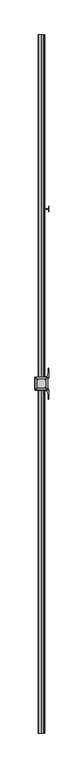
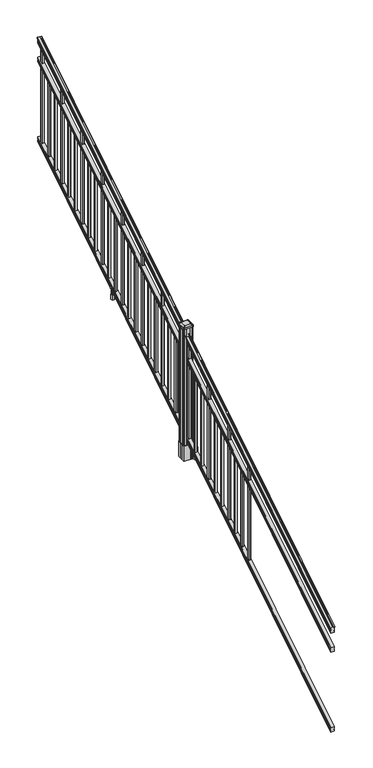
"""IFC4 building model written with IfcOpenShell, lengths in millimetres: railing geometry."""

from ifc_helpers import new_model, si_unit, point, frame, frame_2d, origin, place, context, project, spatial, polyline, circle_curve, ellipse_curve, trimmed, segment, composite_curve, outline, extrude, faceted_brep, source, transform, mapped, element, save
from ifc_brep_helpers import plane_surface, cylinder_surface, revolved_surface, extruded_surface, advanced_brep


def railing_99836343(model_context):
    return source(origin(), model_context, "Body", "SolidModel", [
        advanced_brep(
        [(10037.832944, -129368.4628453, 1285.6070492), (10040.4067728, -129368.4628453, 1285.6070492), (10040.4067728, -129368.4628453, 1273.0394336), (10039.3907728, -129368.4628453, 1271.841318), (10039.3907728, -129368.4628453, 1257.3), (10071.1407728, -129368.4628453, 1257.3), (10071.1407728, -129368.4628453, 1272.0274214), (10070.1247728, -129368.4628453, 1273.225537), (10070.1247728, -129368.4628453, 1285.6070492), (10072.6986015, -129368.4628453, 1285.6070492), (10072.6986015, -129368.4628453, 1287.8335658), (10073.8287878, -129368.4628453, 1289.6758543), (10073.8287878, -129368.4628453, 1298.1876358), (10073.1795314, -129368.4628453, 1301.0572588), (10075.6795314, -129368.4628453, 1306.1635509), (10077.0888739, -129368.4628453, 1308.1442021), (10077.4907729, -129368.4628453, 1309.4469579), (10077.4907728, -129368.4628453, 1311.0274846), (10075.9373255, -129368.4628453, 1312.8593836), (10055.2657728, -129368.4628453, 1312.8593836), (10034.59422, -129368.4628453, 1312.8593836), (10033.0407728, -129368.4628453, 1311.0274846), (10033.0407728, -129368.4628453, 1309.4469579), (10033.4426717, -129368.4628453, 1308.1442021), (10034.8520141, -129368.4628453, 1306.1635509), (10037.3520141, -129368.4628453, 1301.0572588), (10036.7027577, -129368.4628453, 1298.1876358), (10036.7027577, -129368.4628453, 1289.6758543), (10037.832944, -129368.4628453, 1287.8335658), (10037.832944, -124491.6628453, 4333.6070492), (10037.832944, -124491.6628453, 4335.8335658), (10036.7027577, -124491.6628453, 4337.6758543), (10036.7027577, -124491.6628453, 4346.1876358), (10037.3520141, -124491.6628453, 4349.0572588), (10034.8520141, -124491.6628453, 4354.1635509), (10033.4426717, -124491.6628453, 4356.1442021), (10033.0407727, -124491.6628453, 4357.4469579), (10033.0407728, -124491.6628453, 4359.0274846), (10034.59422, -124491.6628453, 4360.8593836), (10055.2657728, -124491.6628453, 4360.8593836), (10075.9373255, -124491.6628453, 4360.8593836), (10077.4907728, -124491.6628453, 4359.0274846), (10077.4907728, -124491.6628453, 4357.4469579), (10077.0888739, -124491.6628453, 4356.1442021), (10075.6795314, -124491.6628453, 4354.1635509), (10073.1795314, -124491.6628453, 4349.0572588), (10073.8287878, -124491.6628453, 4346.1876358), (10073.8287878, -124491.6628453, 4337.6758543), (10072.6986015, -124491.6628453, 4335.8335658), (10072.6986015, -124491.6628453, 4333.6070492), (10070.1247728, -124491.6628453, 4333.6070492), (10070.1247728, -124491.6628453, 4321.225537), (10071.1407728, -124491.6628453, 4320.0274214), (10071.1407728, -124491.6628453, 4305.3), (10039.3907728, -124491.6628453, 4305.3), (10039.3907728, -124491.6628453, 4319.841318), (10040.4067728, -124491.6628453, 4321.0394336), (10040.4067728, -124491.6628453, 4333.6070492)],
        [
            (0, 1, ellipse_curve(frame((10039.1198584, -129368.4628453, 1285.6070492), z_axis=(0.0, -1.0, 0.0), x_axis=(0.0, 0.0, -1.0)), 1.5175907, 1.2869144)),
            (1, 2),
            (2, 3),
            (3, 4),
            (4, 5),
            (5, 6),
            (6, 7),
            (7, 8),
            (8, 9, ellipse_curve(frame((10071.4116871, -129368.4628453, 1285.6070492), z_axis=(0.0, -1.0, 0.0), x_axis=(0.0, 0.0, -1.0)), 1.5175907, 1.2869144)),
            (9, 10),
            (10, 11, ellipse_curve(frame((10066.3838482, -129368.4628453, 1294.6239405), z_axis=(0.0, -1.0, 0.0), x_axis=(0.0, 0.0, -1.0)), 10.0777926, 8.545951)),
            (11, 12, ellipse_curve(frame((10066.8209112, -129368.4628453, 1293.9317451), z_axis=(0.0, -1.0, 0.0), x_axis=(0.0, 0.0, -1.0)), 9.2955186, 7.882584)),
            (12, 13, ellipse_curve(frame((10077.3342353, -129368.4628453, 1300.8275077), z_axis=(0.0, 1.0, 0.0), x_axis=(0.0, 0.0, 1.0)), 4.9048088, 4.1592695)),
            (13, 14, ellipse_curve(frame((10078.6215419, -129368.4628453, 1300.7563208), z_axis=(0.0, 1.0, 0.0), x_axis=(0.0, 0.0, 1.0)), 6.4245301, 5.4479907)),
            (14, 15, ellipse_curve(frame((10077.3883834, -129368.4628453, 1306.1602333), z_axis=(0.0, 1.0, 0.0), x_axis=(0.0, 0.0, 1.0)), 2.0151625, 1.7088543)),
            (15, 16, ellipse_curve(frame((10075.7714833, -129368.4628453, 1309.4469579), z_axis=(0.0, -1.0, 0.0), x_axis=(0.0, 0.0, -1.0)), 2.0274681, 1.7192895)),
            (16, 17),
            (17, 18, ellipse_curve(frame((10075.9373255, -129368.4628453, 1311.0274846), z_axis=(0.0, -1.0, 0.0), x_axis=(0.0, 0.0, -1.0)), 1.831899, 1.5534472)),
            (18, 19),
            (19, 20),
            (20, 21, ellipse_curve(frame((10034.59422, -129368.4628453, 1311.0274846), z_axis=(0.0, -1.0, 0.0), x_axis=(0.0, 0.0, -1.0)), 1.831899, 1.5534472)),
            (21, 22),
            (22, 23, ellipse_curve(frame((10034.7600622, -129368.4628453, 1309.4469579), z_axis=(0.0, -1.0, 0.0), x_axis=(0.0, 0.0, -1.0)), 2.0274681, 1.7192895)),
            (23, 24, ellipse_curve(frame((10033.1431621, -129368.4628453, 1306.1602333), z_axis=(0.0, 1.0, 0.0), x_axis=(0.0, 0.0, 1.0)), 2.0151625, 1.7088543)),
            (24, 25, ellipse_curve(frame((10031.9100037, -129368.4628453, 1300.7563208), z_axis=(0.0, 1.0, 0.0), x_axis=(0.0, 0.0, 1.0)), 6.4245301, 5.4479907)),
            (25, 26, ellipse_curve(frame((10033.1973102, -129368.4628453, 1300.8275077), z_axis=(0.0, 1.0, 0.0), x_axis=(0.0, 0.0, 1.0)), 4.9048088, 4.1592695)),
            (26, 27, ellipse_curve(frame((10043.7106343, -129368.4628453, 1293.9317451), z_axis=(0.0, -1.0, 0.0), x_axis=(0.0, 0.0, -1.0)), 9.2955186, 7.882584)),
            (27, 28, ellipse_curve(frame((10044.1476973, -129368.4628453, 1294.6239405), z_axis=(0.0, -1.0, 0.0), x_axis=(0.0, 0.0, -1.0)), 10.0777926, 8.545951)),
            (28, 0),
            (29, 30),
            (30, 31, ellipse_curve(frame((10044.1476973, -124491.6628453, 4342.6239405), z_axis=(0.0, 1.0, 0.0), x_axis=(0.0, 0.0, -1.0)), 10.0777926, 8.545951)),
            (31, 32, ellipse_curve(frame((10043.7106343, -124491.6628453, 4341.9317451), z_axis=(0.0, 1.0, 0.0), x_axis=(0.0, 0.0, -1.0)), 9.2955186, 7.882584)),
            (32, 33, ellipse_curve(frame((10033.1973102, -124491.6628453, 4348.8275077), z_axis=(0.0, -1.0, 0.0), x_axis=(0.0, 0.0, 1.0)), 4.9048088, 4.1592695)),
            (33, 34, ellipse_curve(frame((10031.9100037, -124491.6628453, 4348.7563208), z_axis=(0.0, -1.0, 0.0), x_axis=(0.0, 0.0, 1.0)), 6.4245301, 5.4479907)),
            (34, 35, ellipse_curve(frame((10033.1431621, -124491.6628453, 4354.1602333), z_axis=(0.0, -1.0, 0.0), x_axis=(0.0, 0.0, 1.0)), 2.0151625, 1.7088543)),
            (35, 36, ellipse_curve(frame((10034.7600622, -124491.6628453, 4357.4469579), z_axis=(0.0, 1.0, 0.0), x_axis=(0.0, 0.0, -1.0)), 2.0274681, 1.7192895)),
            (36, 37),
            (37, 38, ellipse_curve(frame((10034.59422, -124491.6628453, 4359.0274846), z_axis=(0.0, 1.0, 0.0), x_axis=(0.0, 0.0, -1.0)), 1.831899, 1.5534472)),
            (38, 39),
            (39, 40),
            (40, 41, ellipse_curve(frame((10075.9373255, -124491.6628453, 4359.0274846), z_axis=(0.0, 1.0, 0.0), x_axis=(0.0, 0.0, -1.0)), 1.831899, 1.5534472)),
            (41, 42),
            (42, 43, ellipse_curve(frame((10075.7714833, -124491.6628453, 4357.4469579), z_axis=(0.0, 1.0, 0.0), x_axis=(0.0, 0.0, -1.0)), 2.0274681, 1.7192895)),
            (43, 44, ellipse_curve(frame((10077.3883834, -124491.6628453, 4354.1602333), z_axis=(0.0, -1.0, 0.0), x_axis=(0.0, 0.0, 1.0)), 2.0151625, 1.7088543)),
            (44, 45, ellipse_curve(frame((10078.6215419, -124491.6628453, 4348.7563208), z_axis=(0.0, -1.0, 0.0), x_axis=(0.0, 0.0, 1.0)), 6.4245301, 5.4479907)),
            (45, 46, ellipse_curve(frame((10077.3342353, -124491.6628453, 4348.8275077), z_axis=(0.0, -1.0, 0.0), x_axis=(0.0, 0.0, 1.0)), 4.9048088, 4.1592695)),
            (46, 47, ellipse_curve(frame((10066.8209112, -124491.6628453, 4341.9317451), z_axis=(0.0, 1.0, 0.0), x_axis=(0.0, 0.0, -1.0)), 9.2955186, 7.882584)),
            (47, 48, ellipse_curve(frame((10066.3838482, -124491.6628453, 4342.6239405), z_axis=(0.0, 1.0, 0.0), x_axis=(0.0, 0.0, -1.0)), 10.0777926, 8.545951)),
            (48, 49),
            (49, 50, ellipse_curve(frame((10071.4116871, -124491.6628453, 4333.6070492), z_axis=(0.0, 1.0, 0.0), x_axis=(0.0, 0.0, -1.0)), 1.5175907, 1.2869144)),
            (50, 51),
            (51, 52),
            (52, 53),
            (53, 54),
            (54, 55),
            (55, 56),
            (56, 57),
            (57, 29, ellipse_curve(frame((10039.1198584, -124491.6628453, 4333.6070492), z_axis=(0.0, 1.0, 0.0), x_axis=(0.0, 0.0, -1.0)), 1.5175907, 1.2869144)),
            (28, 30),
            (29, 0),
            (27, 31),
            (26, 32),
            (25, 33),
            (24, 34),
            (23, 35),
            (22, 36),
            (21, 37),
            (20, 38),
            (19, 39),
            (18, 40),
            (17, 41),
            (16, 42),
            (15, 43),
            (14, 44),
            (13, 45),
            (12, 46),
            (11, 47),
            (10, 48),
            (9, 49),
            (8, 50),
            (7, 51),
            (6, 52),
            (5, 53),
            (4, 54),
            (3, 55),
            (2, 56),
            (1, 57),
        ],
        [
            plane_surface(frame((10055.2657728, -129368.4628453, 1257.3), z_axis=(0.0, -1.0, 0.0), x_axis=(0.0, 0.0, 1.0))),
            plane_surface(frame((10055.2657728, -124491.6628453, 4305.3), z_axis=(0.0, 1.0, 0.0), x_axis=(0.0, 0.0, 1.0))),
            plane_surface(frame((10037.832944, -129368.4628453, 1287.8335658), z_axis=(-1.0, 0.0, 0.0), x_axis=(0.0, 0.8479983040051252, 0.5299989400031204))),
            cylinder_surface(frame((10044.1476973, -129385.23765, 1284.1396876), z_axis=(0.0, -0.8479983040051253, -0.5299989400031204), x_axis=(1.0, 0.0, 0.0)), 8.545951),
            cylinder_surface(frame((10043.7106343, -129384.9265509, 1283.641929), z_axis=(0.0, -0.8479983040051253, -0.5299989400031204), x_axis=(1.0, 0.0, 0.0)), 7.882584),
            revolved_surface(polyline([(10037.3565797, -124489.45843685034, 4350.205262980551), (10037.3565797, -129370.66725374945, 1299.4497524190954)]), (10033.1973102, -129388.0257701, 1288.6006797), (0.0, 0.8479983040051253, 0.5299989400031204)),
            revolved_surface(polyline([(10037.357994400001, -124488.77541603574, 4350.5609640771845), (10037.357994400001, -129371.35027455281, 1298.9516775044929)]), (10031.9100037, -129387.993776, 1288.5494891), (0.0, 0.8479983040051253, 0.5299989400031204)),
            revolved_surface(polyline([(10034.8520164, -124490.75715429979, 4354.726290199658), (10034.8520164, -129369.36853632248, 1305.5941764359545)]), (10033.1431621, -129390.4225007, 1292.4354487), (0.0, 0.8479983040051253, 0.5299989400031204)),
            cylinder_surface(frame((10034.7600622, -129391.8996803, 1294.798936), z_axis=(0.0, -0.8479983040051253, -0.5299989400031204), x_axis=(1.0, 0.0, 0.0)), 1.7192895),
            plane_surface(frame((10033.0407728, -129368.4628453, 1311.0274846), z_axis=(-1.0000000000000002, 0.0, 0.0), x_axis=(0.0, 0.8479983040051253, 0.5299989400031204))),
            cylinder_surface(frame((10034.59422, -129392.6100294, 1295.9354945), z_axis=(0.0, -0.8479983040051253, -0.5299989400031204), x_axis=(1.0, 0.0, 0.0)), 1.5534472),
            plane_surface(frame((10055.2657728, -129368.4628453, 1312.8593836), z_axis=(0.0, -0.5299989400031204, 0.8479983040051252), x_axis=(0.0, 0.8479983040051252, 0.5299989400031204))),
            plane_surface(frame((10075.9373255, -129368.4628453, 1312.8593836), z_axis=(0.0, -0.5299989400031204, 0.8479983040051252), x_axis=(0.0, 0.8479983040051252, 0.5299989400031204))),
            cylinder_surface(frame((10075.9373255, -129392.6100294, 1295.9354945), z_axis=(0.0, -0.8479983040051253, -0.5299989400031204), x_axis=(-1.0, 0.0, 0.0)), 1.5534472),
            plane_surface(frame((10077.4907728, -129368.4628453, 1309.4469579), z_axis=(1.0, 0.0, 0.0), x_axis=(0.0, 0.8479983040051252, 0.5299989400031204))),
            cylinder_surface(frame((10075.7714833, -129391.8996803, 1294.798936), z_axis=(0.0, -0.8479983040051253, -0.5299989400031204), x_axis=(-1.0, 0.0, 0.0)), 1.7192895),
            revolved_surface(polyline([(10075.6795291, -124490.75715429979, 4354.726290199658), (10075.6795291, -129369.36853632248, 1305.5941764359545)]), (10077.3883834, -129390.4225007, 1292.4354487), (0.0, 0.8479983040051253, 0.5299989400031204)),
            revolved_surface(polyline([(10073.1735512, -124488.77541603574, 4350.5609640771845), (10073.1735512, -129371.35027455281, 1298.9516775044929)]), (10078.6215419, -129387.993776, 1288.5494891), (0.0, 0.8479983040051253, 0.5299989400031204)),
            revolved_surface(polyline([(10073.1749658, -124489.45843685034, 4350.205262980551), (10073.1749658, -129370.66725374945, 1299.4497524190954)]), (10077.3342353, -129388.0257701, 1288.6006797), (0.0, 0.8479983040051253, 0.5299989400031204)),
            cylinder_surface(frame((10066.8209112, -129384.9265509, 1283.641929), z_axis=(0.0, -0.8479983040051253, -0.5299989400031204), x_axis=(-1.0, 0.0, 0.0)), 7.882584),
            cylinder_surface(frame((10066.3838482, -129385.23765, 1284.1396876), z_axis=(0.0, -0.8479983040051253, -0.5299989400031204), x_axis=(-1.0, 0.0, 0.0)), 8.545951),
            plane_surface(frame((10072.6986015, -129368.4628453, 1285.6070492), z_axis=(1.0, 0.0, 0.0), x_axis=(0.0, 0.8479983040051252, 0.5299989400031204))),
            cylinder_surface(frame((10071.4116871, -129381.1851146, 1277.6556309), z_axis=(0.0, -0.8479983040051253, -0.5299989400031204), x_axis=(-1.0, 0.0, 0.0)), 1.2869144),
            plane_surface(frame((10070.1247728, -129368.4628453, 1273.225537), z_axis=(1.0, 0.0, 0.0), x_axis=(0.0, 0.8479983040051252, 0.5299989400031204))),
            plane_surface(frame((10071.1407728, -129368.4628453, 1272.0274214), z_axis=(0.7071067811865425, -0.3747658444978923, 0.5996253511967194), x_axis=(0.0, 0.8479983040051252, 0.5299989400031204))),
            plane_surface(frame((10071.1407728, -129368.4628453, 1257.3), z_axis=(1.0, 0.0, 0.0), x_axis=(0.0, 0.8479983040051252, 0.5299989400031204))),
            plane_surface(frame((10039.3907728, -129368.4628453, 1257.3), z_axis=(0.0, 0.5299989400031204, -0.8479983040051252), x_axis=(0.0, 0.8479983040051252, 0.5299989400031204))),
            plane_surface(frame((10039.3907728, -129368.4628453, 1271.841318), z_axis=(-1.0, 0.0, 0.0), x_axis=(0.0, 0.8479983040051253, 0.5299989400031203))),
            plane_surface(frame((10040.4067728, -129368.4628453, 1273.0394336), z_axis=(-0.7071067811865404, -0.3747658444978917, 0.5996253511967224), x_axis=(0.0, 0.8479983040051253, 0.5299989400031204))),
            plane_surface(frame((10040.4067728, -129368.4628453, 1285.6070492), z_axis=(-1.0, 0.0, 0.0), x_axis=(0.0, 0.8479983040051252, 0.5299989400031204))),
            cylinder_surface(frame((10039.1198584, -129381.1851146, 1277.6556309), z_axis=(0.0, -0.8479983040051253, -0.5299989400031204), x_axis=(1.0, 0.0, 0.0)), 1.2869144),
        ],
        [
            (0, [[1, 2, 3, 4, 5, 6, 7, 8, 9, 10, 11, 12, 13, 14, 15, 16, 17, 18, 19, 20, 21, 22, 23, 24, 25, 26, 27, 28, 29]]),
            (1, [[30, 31, 32, 33, 34, 35, 36, 37, 38, 39, 40, 41, 42, 43, 44, 45, 46, 47, 48, 49, 50, 51, 52, 53, 54, 55, 56, 57, 58]]),
            (2, [[-29, 59, -30, 60]]),
            (3, [[-28, 61, -31, -59]]),
            (4, [[-27, 62, -32, -61]]),
            (5, [[-26, 63, -33, -62]]),
            (6, [[-25, 64, -34, -63]]),
            (7, [[-24, 65, -35, -64]]),
            (8, [[-23, 66, -36, -65]]),
            (9, [[-22, 67, -37, -66]]),
            (10, [[-21, 68, -38, -67]]),
            (11, [[-20, 69, -39, -68]]),
            (12, [[-19, 70, -40, -69]]),
            (13, [[-18, 71, -41, -70]]),
            (14, [[-17, 72, -42, -71]]),
            (15, [[-16, 73, -43, -72]]),
            (16, [[-15, 74, -44, -73]]),
            (17, [[-14, 75, -45, -74]]),
            (18, [[-13, 76, -46, -75]]),
            (19, [[-12, 77, -47, -76]]),
            (20, [[-11, 78, -48, -77]]),
            (21, [[-10, 79, -49, -78]]),
            (22, [[-9, 80, -50, -79]]),
            (23, [[-8, 81, -51, -80]]),
            (24, [[-7, 82, -52, -81]]),
            (25, [[-6, 83, -53, -82]]),
            (26, [[-5, 84, -54, -83]]),
            (27, [[-4, 85, -55, -84]]),
            (28, [[-3, 86, -56, -85]]),
            (29, [[-2, 87, -57, -86]]),
            (30, [[-1, -60, -58, -87]]),
        ],
    ),
        faceted_brep([(10039.3532859, -129368.4628453, 1081.6045079), (10039.3532859, -129368.4628453, 1066.8), (10071.1032859, -129368.4628453, 1066.8), (10071.1032859, -129368.4628453, 1081.5848772), (10070.0872859, -129368.4628453, 1083.1748303), (10070.0872859, -129368.4628453, 1095.3348741), (10071.1032859, -129368.4628453, 1096.9248272), (10071.1032859, -129368.4628453, 1111.7244744), (10039.3532859, -129368.4628453, 1111.7244744), (10039.3532859, -129368.4628453, 1096.9444579), (10040.3692859, -129368.4628453, 1095.3545048), (10040.3692859, -129368.4628453, 1083.138026), (10039.3532859, -124491.6628453, 4129.6045079), (10040.3692859, -124491.6628453, 4131.138026), (10040.3692859, -124491.6628453, 4143.3545048), (10039.3532859, -124491.6628453, 4144.9444579), (10039.3532859, -124491.6628453, 4159.7244744), (10071.1032859, -124491.6628453, 4159.7244744), (10071.1032859, -124491.6628453, 4144.9248272), (10070.0872859, -124491.6628453, 4143.3348741), (10070.0872859, -124491.6628453, 4131.1748303), (10071.1032859, -124491.6628453, 4129.5848772), (10071.1032859, -124491.6628453, 4114.8), (10039.3532859, -124491.6628453, 4114.8)], [[[0, 1, 2, 3, 4, 5, 6, 7, 8, 9, 10, 11]], [[12, 13, 14, 15, 16, 17, 18, 19, 20, 21, 22, 23]], [[0, 11, 13, 12]], [[11, 10, 14, 13]], [[10, 9, 15, 14]], [[9, 8, 16, 15]], [[8, 7, 17, 16]], [[7, 6, 18, 17]], [[6, 5, 19, 18]], [[5, 4, 20, 19]], [[4, 3, 21, 20]], [[3, 2, 22, 21]], [[2, 1, 23, 22]], [[1, 0, 12, 23]]]),
        faceted_brep([(10039.3532859, -129368.4628453, 268.8045079), (10039.3532859, -129368.4628453, 254.0), (10071.1032859, -129368.4628453, 254.0), (10071.1032859, -129368.4628453, 268.7848772), (10070.0872859, -129368.4628453, 270.3748303), (10070.0872859, -129368.4628453, 282.5348741), (10071.1032859, -129368.4628453, 284.1248272), (10071.1032859, -129368.4628453, 298.9244744), (10039.3532859, -129368.4628453, 298.9244744), (10039.3532859, -129368.4628453, 284.1444579), (10040.3692859, -129368.4628453, 282.5545048), (10040.3692859, -129368.4628453, 270.338026), (10039.3532859, -124491.6628453, 3316.8045079), (10040.3692859, -124491.6628453, 3318.338026), (10040.3692859, -124491.6628453, 3330.5545048), (10039.3532859, -124491.6628453, 3332.1444579), (10039.3532859, -124491.6628453, 3346.9244744), (10071.1032859, -124491.6628453, 3346.9244744), (10071.1032859, -124491.6628453, 3332.1248272), (10070.0872859, -124491.6628453, 3330.5348741), (10070.0872859, -124491.6628453, 3318.3748303), (10071.1032859, -124491.6628453, 3316.7848772), (10071.1032859, -124491.6628453, 3302.0), (10039.3532859, -124491.6628453, 3302.0)], [[[0, 1, 2, 3, 4, 5, 6, 7, 8, 9, 10, 11]], [[12, 13, 14, 15, 16, 17, 18, 19, 20, 21, 22, 23]], [[1, 0, 12, 23]], [[7, 6, 18, 17]], [[9, 8, 16, 15]], [[11, 10, 14, 13]], [[2, 1, 23, 22]], [[3, 2, 22, 21]], [[4, 3, 21, 20]], [[5, 4, 20, 19]], [[6, 5, 19, 18]], [[8, 7, 17, 16]], [[10, 9, 15, 14]], [[0, 11, 13, 12]]]),
        extrude(outline(polyline([(10045.7407728, -124548.4318453), (10045.7407728, -124529.3818453), (10064.7907728, -124529.3818453), (10064.7907728, -124548.4318453), (10045.7407728, -124548.4318453)]), holes=[polyline([(10046.1376478, -124548.0349703), (10064.3938978, -124548.0349703), (10064.3938978, -124529.7787203), (10046.1376478, -124529.7787203), (10046.1376478, -124548.0349703)])]), frame((0.0, 0.0, 3310.5683781), z_axis=(0.0, 0.0, 1.0), x_axis=(1.0, 0.0, 0.0)), (0.0, 0.0, 1.0), 965.2041219),
        extrude(outline(polyline([(10045.7407728, -124659.6838453), (10045.7407728, -124640.6338453), (10064.7907728, -124640.6338453), (10064.7907728, -124659.6838453), (10045.7407728, -124659.6838453)]), holes=[polyline([(10046.1376478, -124659.2869703), (10064.3938978, -124659.2869703), (10064.3938978, -124641.0307203), (10046.1376478, -124641.0307203), (10046.1376478, -124659.2869703)])]), frame((0.0, 0.0, 3241.0358781), z_axis=(0.0, 0.0, 1.0), x_axis=(1.0, 0.0, 0.0)), (0.0, 0.0, 1.0), 774.7041219),
        extrude(outline(polyline([(10045.7407728, -124770.9358453), (10045.7407728, -124751.8858453), (10064.7907728, -124751.8858453), (10064.7907728, -124770.9358453), (10045.7407728, -124770.9358453)]), holes=[polyline([(10046.1376478, -124770.5389703), (10064.3938978, -124770.5389703), (10064.3938978, -124752.2827203), (10046.1376478, -124752.2827203), (10046.1376478, -124770.5389703)])]), frame((0.0, 0.0, 3171.5033781), z_axis=(0.0, 0.0, 1.0), x_axis=(1.0, 0.0, 0.0)), (0.0, 0.0, 1.0), 774.7041219),
        extrude(outline(polyline([(10045.7407728, -124882.1878453), (10045.7407728, -124863.1378453), (10064.7907728, -124863.1378453), (10064.7907728, -124882.1878453), (10045.7407728, -124882.1878453)]), holes=[polyline([(10046.1376478, -124881.7909703), (10064.3938978, -124881.7909703), (10064.3938978, -124863.5347203), (10046.1376478, -124863.5347203), (10046.1376478, -124881.7909703)])]), frame((0.0, 0.0, 3101.9708781), z_axis=(0.0, 0.0, 1.0), x_axis=(1.0, 0.0, 0.0)), (0.0, 0.0, 1.0), 965.2041219),
        extrude(outline(polyline([(10045.7407728, -124993.4398453), (10045.7407728, -124974.3898453), (10064.7907728, -124974.3898453), (10064.7907728, -124993.4398453), (10045.7407728, -124993.4398453)]), holes=[polyline([(10046.1376478, -124993.0429703), (10064.3938978, -124993.0429703), (10064.3938978, -124974.7867203), (10046.1376478, -124974.7867203), (10046.1376478, -124993.0429703)])]), frame((0.0, 0.0, 3032.4383781), z_axis=(0.0, 0.0, 1.0), x_axis=(1.0, 0.0, 0.0)), (0.0, 0.0, 1.0), 774.7041219),
        extrude(outline(polyline([(10045.7407728, -125104.6918453), (10045.7407728, -125085.6418453), (10064.7907728, -125085.6418453), (10064.7907728, -125104.6918453), (10045.7407728, -125104.6918453)]), holes=[polyline([(10046.1376478, -125104.2949703), (10064.3938978, -125104.2949703), (10064.3938978, -125086.0387203), (10046.1376478, -125086.0387203), (10046.1376478, -125104.2949703)])]), frame((0.0, 0.0, 2962.9058781), z_axis=(0.0, 0.0, 1.0), x_axis=(1.0, 0.0, 0.0)), (0.0, 0.0, 1.0), 774.7041219),
        extrude(outline(polyline([(10045.7407728, -125215.9438453), (10045.7407728, -125196.8938453), (10064.7907728, -125196.8938453), (10064.7907728, -125215.9438453), (10045.7407728, -125215.9438453)]), holes=[polyline([(10046.1376478, -125215.5469703), (10064.3938978, -125215.5469703), (10064.3938978, -125197.2907203), (10046.1376478, -125197.2907203), (10046.1376478, -125215.5469703)])]), frame((0.0, 0.0, 2893.3733781), z_axis=(0.0, 0.0, 1.0), x_axis=(1.0, 0.0, 0.0)), (0.0, 0.0, 1.0), 965.2041219),
        extrude(outline(polyline([(10045.7407728, -125327.1958453), (10045.7407728, -125308.1458453), (10064.7907728, -125308.1458453), (10064.7907728, -125327.1958453), (10045.7407728, -125327.1958453)]), holes=[polyline([(10046.1376478, -125326.7989703), (10064.3938978, -125326.7989703), (10064.3938978, -125308.5427203), (10046.1376478, -125308.5427203), (10046.1376478, -125326.7989703)])]), frame((0.0, 0.0, 2823.8408781), z_axis=(0.0, 0.0, 1.0), x_axis=(1.0, 0.0, 0.0)), (0.0, 0.0, 1.0), 774.7041219),
        extrude(outline(polyline([(10045.7407728, -125438.4478453), (10045.7407728, -125419.3978453), (10064.7907728, -125419.3978453), (10064.7907728, -125438.4478453), (10045.7407728, -125438.4478453)]), holes=[polyline([(10046.1376478, -125438.0509703), (10064.3938978, -125438.0509703), (10064.3938978, -125419.7947203), (10046.1376478, -125419.7947203), (10046.1376478, -125438.0509703)])]), frame((0.0, 0.0, 2754.3083781), z_axis=(0.0, 0.0, 1.0), x_axis=(1.0, 0.0, 0.0)), (0.0, 0.0, 1.0), 774.7041219),
        extrude(outline(polyline([(10045.7407728, -125549.6998453), (10045.7407728, -125530.6498453), (10064.7907728, -125530.6498453), (10064.7907728, -125549.6998453), (10045.7407728, -125549.6998453)]), holes=[polyline([(10046.1376478, -125549.3029703), (10064.3938978, -125549.3029703), (10064.3938978, -125531.0467203), (10046.1376478, -125531.0467203), (10046.1376478, -125549.3029703)])]), frame((0.0, 0.0, 2684.7758781), z_axis=(0.0, 0.0, 1.0), x_axis=(1.0, 0.0, 0.0)), (0.0, 0.0, 1.0), 965.2041219),
        extrude(outline(polyline([(10045.7407728, -125660.9518453), (10045.7407728, -125641.9018453), (10064.7907728, -125641.9018453), (10064.7907728, -125660.9518453), (10045.7407728, -125660.9518453)]), holes=[polyline([(10046.1376478, -125660.5549703), (10064.3938978, -125660.5549703), (10064.3938978, -125642.2987203), (10046.1376478, -125642.2987203), (10046.1376478, -125660.5549703)])]), frame((0.0, 0.0, 2615.2433781), z_axis=(0.0, 0.0, 1.0), x_axis=(1.0, 0.0, 0.0)), (0.0, 0.0, 1.0), 774.7041219),
        extrude(outline(polyline([(10065.9337726, -125708.3228453), (10065.9337726, -125705.7828453), (10105.3037728, -125705.7828453), (10105.3037728, -125708.3228453), (10065.9337726, -125708.3228453)])), frame((0.0, 0.0, 2428.08125), z_axis=(0.0, 0.0, 1.0), x_axis=(1.0, 0.0, 0.0)), (0.0, 0.0, 1.0), 50.8),
        extrude(outline(polyline([(10105.3037728, -125726.1028453), (10105.3037728, -125688.0028453), (10107.8437728, -125688.0028453), (10107.8437728, -125726.1028453), (10105.3037728, -125726.1028453)])), frame((0.0, 0.0, 2428.08125), z_axis=(0.0, 0.0, 1.0), x_axis=(1.0, 0.0, 0.0)), (0.0, 0.0, 1.0), 50.8),
        extrude(outline(polyline([(10044.597772, -125716.9588453), (10044.597772, -125697.1468453), (10065.9337726, -125697.1468453), (10065.9337726, -125716.9588453), (10044.597772, -125716.9588453)]), holes=[polyline([(10047.8997721, -125714.4188453), (10062.6317725, -125714.4188453), (10062.6317725, -125699.6868453), (10047.8997721, -125699.6868453), (10047.8997721, -125714.4188453)])]), frame((0.0, 0.0, 2428.08125), z_axis=(0.0, 0.0, 1.0), x_axis=(1.0, 0.0, 0.0)), (0.0, 0.0, 1.0), 50.8),
        extrude(outline(polyline([(2567.6016479, 10073.4267716), (2567.6016479, 10071.394772), (2566.5856453, 10070.3787722), (2556.1498581, 10070.3787722), (2555.1338573, 10071.394772), (2543.143251, 10071.394772), (2542.3812519, 10070.6327729), (2542.3812519, 10039.8987717), (2543.143251, 10039.1367726), (2555.1338573, 10039.1367726), (2556.1498581, 10040.1527724), (2566.5856453, 10040.1527724), (2567.6016479, 10039.1367726), (2567.6016479, 10037.104773), (2566.8396469, 10036.342772), (2540.3492523, 10036.342772), (2539.5872513, 10037.104773), (2539.5872513, 10047.137772), (2538.8252512, 10047.8997721), (2475.3252512, 10047.8997721), (2475.3252512, 10062.6317725), (2538.8252512, 10062.6317725), (2539.5872513, 10063.3937726), (2539.5872513, 10073.4267716), (2540.3492523, 10074.1887726), (2566.8396469, 10074.1887726), (2567.6016479, 10073.4267716)]), holes=[polyline([(2539.5872513, 10051.8367724), (2539.5872513, 10058.6947722), (2538.8252512, 10059.4567723), (2482.8182503, 10059.4567723), (2482.0562531, 10058.6947751), (2482.0562531, 10051.8367724), (2482.8182531, 10051.0747723), (2538.8252512, 10051.0747723), (2539.5872513, 10051.8367724)])]), frame((0.0, -125714.4188453, 0.0), z_axis=(0.0, 1.0, 0.0), x_axis=(0.0, 0.0, 1.0)), (0.0, 0.0, 1.0), 14.732),
        extrude(outline(polyline([(10045.7407728, -125772.2038453), (10045.7407728, -125753.1538453), (10064.7907728, -125753.1538453), (10064.7907728, -125772.2038453), (10045.7407728, -125772.2038453)]), holes=[polyline([(10046.1376478, -125771.8069703), (10064.3938978, -125771.8069703), (10064.3938978, -125753.5507203), (10046.1376478, -125753.5507203), (10046.1376478, -125771.8069703)])]), frame((0.0, 0.0, 2545.7108781), z_axis=(0.0, 0.0, 1.0), x_axis=(1.0, 0.0, 0.0)), (0.0, 0.0, 1.0), 774.7041219),
        extrude(outline(polyline([(10045.7407728, -125883.4558453), (10045.7407728, -125864.4058453), (10064.7907728, -125864.4058453), (10064.7907728, -125883.4558453), (10045.7407728, -125883.4558453)]), holes=[polyline([(10046.1376478, -125883.0589703), (10064.3938978, -125883.0589703), (10064.3938978, -125864.8027203), (10046.1376478, -125864.8027203), (10046.1376478, -125883.0589703)])]), frame((0.0, 0.0, 2476.1783781), z_axis=(0.0, 0.0, 1.0), x_axis=(1.0, 0.0, 0.0)), (0.0, 0.0, 1.0), 965.2041219),
        extrude(outline(polyline([(10045.7407728, -125994.7078453), (10045.7407728, -125975.6578453), (10064.7907728, -125975.6578453), (10064.7907728, -125994.7078453), (10045.7407728, -125994.7078453)]), holes=[polyline([(10046.1376478, -125994.3109703), (10064.3938978, -125994.3109703), (10064.3938978, -125976.0547203), (10046.1376478, -125976.0547203), (10046.1376478, -125994.3109703)])]), frame((0.0, 0.0, 2406.6458781), z_axis=(0.0, 0.0, 1.0), x_axis=(1.0, 0.0, 0.0)), (0.0, 0.0, 1.0), 774.7041219),
        extrude(outline(polyline([(10045.7407728, -126105.9598453), (10045.7407728, -126086.9098453), (10064.7907728, -126086.9098453), (10064.7907728, -126105.9598453), (10045.7407728, -126105.9598453)]), holes=[polyline([(10046.1376478, -126105.5629703), (10064.3938978, -126105.5629703), (10064.3938978, -126087.3067203), (10046.1376478, -126087.3067203), (10046.1376478, -126105.5629703)])]), frame((0.0, 0.0, 2337.1133781), z_axis=(0.0, 0.0, 1.0), x_axis=(1.0, 0.0, 0.0)), (0.0, 0.0, 1.0), 774.7041219),
        extrude(outline(polyline([(10045.7407728, -126217.2118453), (10045.7407728, -126198.1618453), (10064.7907728, -126198.1618453), (10064.7907728, -126217.2118453), (10045.7407728, -126217.2118453)]), holes=[polyline([(10046.1376478, -126216.8149703), (10064.3938978, -126216.8149703), (10064.3938978, -126198.5587203), (10046.1376478, -126198.5587203), (10046.1376478, -126216.8149703)])]), frame((0.0, 0.0, 2267.5808781), z_axis=(0.0, 0.0, 1.0), x_axis=(1.0, 0.0, 0.0)), (0.0, 0.0, 1.0), 965.2041219),
        extrude(outline(polyline([(10045.7407728, -126328.4638453), (10045.7407728, -126309.4138453), (10064.7907728, -126309.4138453), (10064.7907728, -126328.4638453), (10045.7407728, -126328.4638453)]), holes=[polyline([(10046.1376478, -126328.0669703), (10064.3938978, -126328.0669703), (10064.3938978, -126309.8107203), (10046.1376478, -126309.8107203), (10046.1376478, -126328.0669703)])]), frame((0.0, 0.0, 2198.0483781), z_axis=(0.0, 0.0, 1.0), x_axis=(1.0, 0.0, 0.0)), (0.0, 0.0, 1.0), 774.7041219),
        extrude(outline(polyline([(10045.7407728, -126439.7158453), (10045.7407728, -126420.6658453), (10064.7907728, -126420.6658453), (10064.7907728, -126439.7158453), (10045.7407728, -126439.7158453)]), holes=[polyline([(10046.1376478, -126439.3189703), (10064.3938978, -126439.3189703), (10064.3938978, -126421.0627203), (10046.1376478, -126421.0627203), (10046.1376478, -126439.3189703)])]), frame((0.0, 0.0, 2128.5158781), z_axis=(0.0, 0.0, 1.0), x_axis=(1.0, 0.0, 0.0)), (0.0, 0.0, 1.0), 774.7041219),
        extrude(outline(polyline([(10045.7407728, -126550.9678453), (10045.7407728, -126531.9178453), (10064.7907728, -126531.9178453), (10064.7907728, -126550.9678453), (10045.7407728, -126550.9678453)]), holes=[polyline([(10046.1376478, -126550.5709703), (10064.3938978, -126550.5709703), (10064.3938978, -126532.3147203), (10046.1376478, -126532.3147203), (10046.1376478, -126550.5709703)])]), frame((0.0, 0.0, 2058.9833781), z_axis=(0.0, 0.0, 1.0), x_axis=(1.0, 0.0, 0.0)), (0.0, 0.0, 1.0), 965.2041219),
        extrude(outline(polyline([(10045.7407728, -126662.2198453), (10045.7407728, -126643.1698453), (10064.7907728, -126643.1698453), (10064.7907728, -126662.2198453), (10045.7407728, -126662.2198453)]), holes=[polyline([(10046.1376478, -126661.8229703), (10064.3938978, -126661.8229703), (10064.3938978, -126643.5667203), (10046.1376478, -126643.5667203), (10046.1376478, -126661.8229703)])]), frame((0.0, 0.0, 1989.4508781), z_axis=(0.0, 0.0, 1.0), x_axis=(1.0, 0.0, 0.0)), (0.0, 0.0, 1.0), 774.7041219),
        extrude(outline(polyline([(10045.7407728, -126773.4718453), (10045.7407728, -126754.4218453), (10064.7907728, -126754.4218453), (10064.7907728, -126773.4718453), (10045.7407728, -126773.4718453)]), holes=[polyline([(10046.1376478, -126773.0749703), (10064.3938978, -126773.0749703), (10064.3938978, -126754.8187203), (10046.1376478, -126754.8187203), (10046.1376478, -126773.0749703)])]), frame((0.0, 0.0, 1919.9183781), z_axis=(0.0, 0.0, 1.0), x_axis=(1.0, 0.0, 0.0)), (0.0, 0.0, 1.0), 774.7041219),
        extrude(outline(polyline([(10045.7407728, -126884.7238453), (10045.7407728, -126865.6738453), (10064.7907728, -126865.6738453), (10064.7907728, -126884.7238453), (10045.7407728, -126884.7238453)]), holes=[polyline([(10046.1376478, -126884.3269703), (10064.3938978, -126884.3269703), (10064.3938978, -126866.0707203), (10046.1376478, -126866.0707203), (10046.1376478, -126884.3269703)])]), frame((0.0, 0.0, 1850.3858781), z_axis=(0.0, 0.0, 1.0), x_axis=(1.0, 0.0, 0.0)), (0.0, 0.0, 1.0), 965.2041219),
        extrude(outline(composite_curve([segment(polyline([(10012.5302728, -126944.9089401), (10012.5302728, -126910.1367504), (10010.9427728, -126909.3747504), (10010.9427728, -126886.5728224), (10014.3157498, -126883.1998453), (10075.7754206, -126883.1998453), (10075.7754206, -126882.2790953), (10081.0929645, -126882.2790953), (10081.0929645, -126880.8248406), (10086.1774942, -126880.8248406), (10086.1774942, -126879.5408168), (10087.8447665, -126879.5408168)]), True, "CONTINUOUS"), segment(trimmed(circle_curve(frame_2d((10087.8447665, -126872.4813569)), 7.0594599), [point((10087.8447665, -126879.5408168))], [point((10094.6120293, -126874.4913636))], True, "CARTESIAN"), True, "CONTINUOUS"), segment(polyline([(10094.6120293, -126874.4913636), (10102.4862236, -126847.9806345)]), True, "CONTINUOUS"), segment(trimmed(circle_curve(frame_2d((10047.7017103, -126831.7085848)), 57.15), [point((10102.4862236, -126847.9806345))], [point((10104.8517103, -126831.7085848))], True, "CARTESIAN"), True, "CONTINUOUS"), segment(polyline([(10104.8517103, -126831.7085848), (10104.8517103, -126819.6998453), (10107.8517103, -126819.6998453), (10107.8517103, -126884.7873453), (10099.5887728, -126896.1256366), (10099.5887728, -126909.3747504), (10098.0012728, -126910.1367504), (10098.0012728, -126944.9089401), (10099.5887728, -126945.6709401), (10099.5887728, -126958.920054), (10107.8517103, -126970.2583453), (10107.8517103, -127035.3458453), (10104.8517103, -127035.3458453), (10104.8517103, -127023.3371057)]), True, "CONTINUOUS"), segment(trimmed(circle_curve(frame_2d((10047.7017103, -127023.3371057)), 57.15), [point((10104.8517103, -127023.3371057))], [point((10102.4862236, -127007.0650561))], True, "CARTESIAN"), True, "CONTINUOUS"), segment(polyline([(10102.4862236, -127007.0650561), (10094.6120293, -126980.554327)]), True, "CONTINUOUS"), segment(trimmed(circle_curve(frame_2d((10087.8447665, -126982.5643337)), 7.0594599), [point((10094.6120293, -126980.554327))], [point((10087.8447665, -126975.5048738))], True, "CARTESIAN"), True, "CONTINUOUS"), segment(polyline([(10087.8447665, -126975.5048738), (10086.1774942, -126975.5048738), (10086.1774942, -126974.22085), (10081.0929645, -126974.22085), (10081.0929645, -126972.7665953), (10075.7754206, -126972.7665953), (10075.7754206, -126971.8458453), (10014.3157498, -126971.8458453), (10010.9427728, -126968.4728682), (10010.9427728, -126945.6709401), (10012.5302728, -126944.9089401)]), True, "CONTINUOUS")], self_intersect=False), holes=[polyline([(10096.5407728, -126887.8353453), (10094.9532728, -126886.2478453), (10058.0289902, -126886.2478453), (10015.5782728, -126886.2478453), (10013.9907728, -126887.8353453), (10013.9907728, -126967.2103453), (10015.5782728, -126968.7978453), (10058.0289902, -126968.7978453), (10094.9532728, -126968.7978453), (10096.5407728, -126967.2103453), (10096.5407728, -126887.8353453)])]), frame((0.0, 0.0, 1563.6875), z_axis=(0.0, 0.0, 1.0), x_axis=(1.0, 0.0, 0.0)), (0.0, 0.0, 1.0), 152.4),
        advanced_brep(
        [(10081.0626478, -126956.4947203, 2928.426763), (10084.2376478, -126953.3197203, 2928.426763), (10084.2376478, -126901.7259703, 2928.426763), (10081.0626478, -126898.5509703, 2928.426763), (10029.4688978, -126898.5509703, 2928.426763), (10026.2938978, -126901.7259703, 2928.426763), (10026.2938978, -126953.3197203, 2928.426763), (10029.4688978, -126956.4947203, 2928.426763), (10097.3345228, -126972.7665953, 2917.123763), (10013.1970228, -126972.7665953, 2917.123763), (10010.0220228, -126969.5915953, 2917.123763), (10010.0220228, -126885.4540953, 2917.123763), (10013.1970228, -126882.2790953, 2917.123763), (10097.3345228, -126882.2790953, 2917.123763), (10100.5095228, -126885.4540953, 2917.123763), (10100.5095228, -126969.5915953, 2917.123763)],
        [
            (0, 1, circle_curve(frame((10081.0626478, -126953.3197203, 2928.426763), z_axis=(0.0, 0.0, 1.0), x_axis=(0.0, 1.0, 0.0)), 3.175)),
            (1, 2),
            (2, 3, circle_curve(frame((10081.0626478, -126901.7259703, 2928.426763), z_axis=(0.0, 0.0, 1.0), x_axis=(0.0, 1.0, 0.0)), 3.175)),
            (3, 4),
            (4, 5, circle_curve(frame((10029.4688978, -126901.7259703, 2928.426763), z_axis=(0.0, 0.0, 1.0), x_axis=(0.0, 1.0, 0.0)), 3.175)),
            (5, 6),
            (6, 7, circle_curve(frame((10029.4688978, -126953.3197203, 2928.426763), z_axis=(0.0, 0.0, 1.0), x_axis=(0.0, 1.0, 0.0)), 3.175)),
            (7, 0),
            (8, 9),
            (9, 10, circle_curve(frame((10013.1970228, -126969.5915953, 2917.123763), z_axis=(0.0, 0.0, -1.0), x_axis=(0.0, 1.0, 0.0)), 3.175)),
            (10, 11),
            (11, 12, circle_curve(frame((10013.1970228, -126885.4540953, 2917.123763), z_axis=(0.0, 0.0, -1.0), x_axis=(0.0, 1.0, 0.0)), 3.175)),
            (12, 13),
            (13, 14, circle_curve(frame((10097.3345228, -126885.4540953, 2917.123763), z_axis=(0.0, 0.0, -1.0), x_axis=(0.0, 1.0, 0.0)), 3.175)),
            (14, 15),
            (15, 8, circle_curve(frame((10097.3345228, -126969.5915953, 2917.123763), z_axis=(0.0, 0.0, -1.0), x_axis=(0.0, 1.0, 0.0)), 3.175)),
            (15, 1),
            (0, 8),
            (14, 2),
            (13, 3),
            (12, 4),
            (11, 5),
            (10, 6),
            (9, 7),
        ],
        [
            plane_surface(frame((10055.2657728, -126927.5228453, 2928.426763), z_axis=(0.0, 0.0, 1.0), x_axis=(1.0, 0.0, 0.0))),
            plane_surface(frame((10055.2657728, -126927.5228453, 2917.123763), z_axis=(0.0, 0.0, -1.0), x_axis=(1.0, 0.0, 0.0))),
            extruded_surface(trimmed(circle_curve(frame((10097.3345228, -126969.5915953, 2917.123763), z_axis=(0.0, 0.0, 1.0), x_axis=(0.0, 1.0, 0.0)), 3.175), [point((10097.3345228, -126972.7665953, 2917.123763))], [point((10100.5095228, -126969.5915953, 2917.123763))], True, "CARTESIAN"), (-16.271875000000364, 16.27187499999127, 11.302999999999884), 25.637972638860802),
            plane_surface(frame((10100.5095228, -126927.5228453, 2917.123763), z_axis=(0.5705009161540778, 0.0, 0.8212969649690408), x_axis=(0.0, 1.0, 0.0))),
            extruded_surface(trimmed(circle_curve(frame((10097.3345228, -126885.4540953, 2917.123763), z_axis=(0.0, 0.0, 1.0), x_axis=(0.0, 1.0, 0.0)), 3.175), [point((10100.5095228, -126885.4540953, 2917.123763))], [point((10097.3345228, -126882.2790953, 2917.123763))], True, "CARTESIAN"), (-16.271875000000364, -16.27187500000582, 11.302999999999884), 25.637972638870036),
            plane_surface(frame((10055.2657728, -126882.2790953, 2917.123763), z_axis=(0.0, 0.5705009161540291, 0.8212969649690747), x_axis=(-1.0, 0.0, 0.0))),
            extruded_surface(trimmed(circle_curve(frame((10013.1970228, -126885.4540953, 2917.123763), z_axis=(0.0, 0.0, 1.0), x_axis=(0.0, 1.0, 0.0)), 3.175), [point((10013.1970228, -126882.2790953, 2917.123763))], [point((10010.0220228, -126885.4540953, 2917.123763))], True, "CARTESIAN"), (16.271875000000364, -16.27187500000582, 11.302999999999884), 25.637972638870036),
            plane_surface(frame((10010.0220228, -126927.5228453, 2917.123763), z_axis=(-0.5705009161540142, 0.0, 0.8212969649690851), x_axis=(0.0, -1.0, 0.0))),
            extruded_surface(trimmed(circle_curve(frame((10013.1970228, -126969.5915953, 2917.123763), z_axis=(0.0, 0.0, 1.0), x_axis=(0.0, 1.0, 0.0)), 3.175), [point((10010.0220228, -126969.5915953, 2917.123763))], [point((10013.1970228, -126972.7665953, 2917.123763))], True, "CARTESIAN"), (16.271875000000364, 16.27187499999127, 11.302999999999884), 25.637972638860802),
            plane_surface(frame((10055.2657728, -126972.7665953, 2917.123763), z_axis=(0.0, -0.570500916154034, 0.8212969649690713), x_axis=(1.0, 0.0, 0.0))),
        ],
        [
            (0, [[1, 2, 3, 4, 5, 6, 7, 8]]),
            (1, [[9, 10, 11, 12, 13, 14, 15, 16]]),
            (2, [[-16, 17, -1, 18]]),
            (3, [[-15, 19, -2, -17]]),
            (4, [[-14, 20, -3, -19]]),
            (5, [[-13, 21, -4, -20]]),
            (6, [[-12, 22, -5, -21]]),
            (7, [[-11, 23, -6, -22]]),
            (8, [[-10, 24, -7, -23]]),
            (9, [[-9, -18, -8, -24]]),
        ],
    ),
        extrude(outline(composite_curve([segment(polyline([(10097.3345228, -126972.7665953), (10013.1970228, -126972.7665953)]), True, "CONTINUOUS"), segment(trimmed(circle_curve(frame_2d((10013.1970228, -126969.5915953)), 3.175), [point((10013.1970228, -126972.7665953))], [point((10010.0220228, -126969.5915953))], False, "CARTESIAN"), True, "CONTINUOUS"), segment(polyline([(10010.0220228, -126969.5915953), (10010.0220228, -126885.4540953)]), True, "CONTINUOUS"), segment(trimmed(circle_curve(frame_2d((10013.1970228, -126885.4540953)), 3.175), [point((10010.0220228, -126885.4540953))], [point((10013.1970228, -126882.2790953))], False, "CARTESIAN"), True, "CONTINUOUS"), segment(polyline([(10013.1970228, -126882.2790953), (10097.3345228, -126882.2790953)]), True, "CONTINUOUS"), segment(trimmed(circle_curve(frame_2d((10097.3345228, -126885.4540953)), 3.175), [point((10097.3345228, -126882.2790953))], [point((10100.5095228, -126885.4540953))], False, "CARTESIAN"), True, "CONTINUOUS"), segment(polyline([(10100.5095228, -126885.4540953), (10100.5095228, -126969.5915953)]), True, "CONTINUOUS"), segment(trimmed(circle_curve(frame_2d((10097.3345228, -126969.5915953)), 3.175), [point((10100.5095228, -126969.5915953))], [point((10097.3345228, -126972.7665953))], False, "CARTESIAN"), True, "CONTINUOUS")], self_intersect=False)), frame((0.0, 0.0, 2899.851763), z_axis=(0.0, 0.0, 1.0), x_axis=(1.0, 0.0, 0.0)), (0.0, 0.0, 1.0), 17.272),
        extrude(outline(polyline([(10094.9532728, -126968.7978453), (10075.3317728, -126968.7978453), (10074.5697728, -126967.2103453), (10035.9617728, -126967.2103453), (10035.1997728, -126968.7978453), (10015.5782728, -126968.7978453), (10013.9907728, -126967.2103453), (10013.9907728, -126947.5888453), (10015.5782728, -126946.8268453), (10015.5782728, -126908.2188453), (10013.9907728, -126907.4568453), (10013.9907728, -126887.8353453), (10015.5782728, -126886.2478453), (10035.1997728, -126886.2478453), (10035.9617728, -126887.8353453), (10074.5697728, -126887.8353453), (10075.3317728, -126886.2478453), (10094.9532728, -126886.2478453), (10096.5407728, -126887.8353453), (10096.5407728, -126907.4568453), (10094.9532728, -126908.2188453), (10094.9532728, -126946.8268453), (10096.5407728, -126947.5888453), (10096.5407728, -126967.2103453), (10094.9532728, -126968.7978453)])), frame((0.0, 0.0, 1716.0875), z_axis=(0.0, 0.0, 1.0), x_axis=(1.0, 0.0, 0.0)), (0.0, 0.0, 1.0), 1183.764263),
        extrude(outline(polyline([(10045.7407728, -126989.3718453), (10045.7407728, -126970.3218453), (10064.7907728, -126970.3218453), (10064.7907728, -126989.3718453), (10045.7407728, -126989.3718453)]), holes=[polyline([(10046.1376478, -126988.9749703), (10064.3938978, -126988.9749703), (10064.3938978, -126970.7187203), (10046.1376478, -126970.7187203), (10046.1376478, -126988.9749703)])]), frame((0.0, 0.0, 1784.9808781), z_axis=(0.0, 0.0, 1.0), x_axis=(1.0, 0.0, 0.0)), (0.0, 0.0, 1.0), 965.2041219),
        extrude(outline(polyline([(10045.7407728, -127100.6238453), (10045.7407728, -127081.5738453), (10064.7907728, -127081.5738453), (10064.7907728, -127100.6238453), (10045.7407728, -127100.6238453)]), holes=[polyline([(10046.1376478, -127100.2269703), (10064.3938978, -127100.2269703), (10064.3938978, -127081.9707203), (10046.1376478, -127081.9707203), (10046.1376478, -127100.2269703)])]), frame((0.0, 0.0, 1715.4483781), z_axis=(0.0, 0.0, 1.0), x_axis=(1.0, 0.0, 0.0)), (0.0, 0.0, 1.0), 774.7041219),
        extrude(outline(polyline([(10045.7407728, -127211.8758453), (10045.7407728, -127192.8258453), (10064.7907728, -127192.8258453), (10064.7907728, -127211.8758453), (10045.7407728, -127211.8758453)]), holes=[polyline([(10046.1376478, -127211.4789703), (10064.3938978, -127211.4789703), (10064.3938978, -127193.2227203), (10046.1376478, -127193.2227203), (10046.1376478, -127211.4789703)])]), frame((0.0, 0.0, 1645.9158781), z_axis=(0.0, 0.0, 1.0), x_axis=(1.0, 0.0, 0.0)), (0.0, 0.0, 1.0), 774.7041219),
        extrude(outline(polyline([(10045.7407728, -127323.1278453), (10045.7407728, -127304.0778453), (10064.7907728, -127304.0778453), (10064.7907728, -127323.1278453), (10045.7407728, -127323.1278453)]), holes=[polyline([(10046.1376478, -127322.7309703), (10064.3938978, -127322.7309703), (10064.3938978, -127304.4747203), (10046.1376478, -127304.4747203), (10046.1376478, -127322.7309703)])]), frame((0.0, 0.0, 1576.3833781), z_axis=(0.0, 0.0, 1.0), x_axis=(1.0, 0.0, 0.0)), (0.0, 0.0, 1.0), 965.2041219),
        extrude(outline(polyline([(10045.7407728, -127434.3798453), (10045.7407728, -127415.3298453), (10064.7907728, -127415.3298453), (10064.7907728, -127434.3798453), (10045.7407728, -127434.3798453)]), holes=[polyline([(10046.1376478, -127433.9829703), (10064.3938978, -127433.9829703), (10064.3938978, -127415.7267203), (10046.1376478, -127415.7267203), (10046.1376478, -127433.9829703)])]), frame((0.0, 0.0, 1506.8508781), z_axis=(0.0, 0.0, 1.0), x_axis=(1.0, 0.0, 0.0)), (0.0, 0.0, 1.0), 774.7041219),
        extrude(outline(polyline([(10045.7407728, -127545.6318453), (10045.7407728, -127526.5818453), (10064.7907728, -127526.5818453), (10064.7907728, -127545.6318453), (10045.7407728, -127545.6318453)]), holes=[polyline([(10046.1376478, -127545.2349703), (10064.3938978, -127545.2349703), (10064.3938978, -127526.9787203), (10046.1376478, -127526.9787203), (10046.1376478, -127545.2349703)])]), frame((0.0, 0.0, 1437.3183781), z_axis=(0.0, 0.0, 1.0), x_axis=(1.0, 0.0, 0.0)), (0.0, 0.0, 1.0), 774.7041219),
        extrude(outline(polyline([(10045.7407728, -127656.8838453), (10045.7407728, -127637.8338453), (10064.7907728, -127637.8338453), (10064.7907728, -127656.8838453), (10045.7407728, -127656.8838453)]), holes=[polyline([(10046.1376478, -127656.4869703), (10064.3938978, -127656.4869703), (10064.3938978, -127638.2307203), (10046.1376478, -127638.2307203), (10046.1376478, -127656.4869703)])]), frame((0.0, 0.0, 1367.7858781), z_axis=(0.0, 0.0, 1.0), x_axis=(1.0, 0.0, 0.0)), (0.0, 0.0, 1.0), 965.2041219),
        extrude(outline(polyline([(10045.7407728, -127768.1358453), (10045.7407728, -127749.0858453), (10064.7907728, -127749.0858453), (10064.7907728, -127768.1358453), (10045.7407728, -127768.1358453)]), holes=[polyline([(10046.1376478, -127767.7389703), (10064.3938978, -127767.7389703), (10064.3938978, -127749.4827203), (10046.1376478, -127749.4827203), (10046.1376478, -127767.7389703)])]), frame((0.0, 0.0, 1298.2533781), z_axis=(0.0, 0.0, 1.0), x_axis=(1.0, 0.0, 0.0)), (0.0, 0.0, 1.0), 774.7041219),
        extrude(outline(polyline([(10045.7407728, -127879.3878453), (10045.7407728, -127860.3378453), (10064.7907728, -127860.3378453), (10064.7907728, -127879.3878453), (10045.7407728, -127879.3878453)]), holes=[polyline([(10046.1376478, -127878.9909703), (10064.3938978, -127878.9909703), (10064.3938978, -127860.7347203), (10046.1376478, -127860.7347203), (10046.1376478, -127878.9909703)])]), frame((0.0, 0.0, 1228.7208781), z_axis=(0.0, 0.0, 1.0), x_axis=(1.0, 0.0, 0.0)), (0.0, 0.0, 1.0), 774.7041219),
        extrude(outline(polyline([(10045.7407728, -127990.6398453), (10045.7407728, -127971.5898453), (10064.7907728, -127971.5898453), (10064.7907728, -127990.6398453), (10045.7407728, -127990.6398453)]), holes=[polyline([(10046.1376478, -127990.2429703), (10064.3938978, -127990.2429703), (10064.3938978, -127971.9867203), (10046.1376478, -127971.9867203), (10046.1376478, -127990.2429703)])]), frame((0.0, 0.0, 1159.1883781), z_axis=(0.0, 0.0, 1.0), x_axis=(1.0, 0.0, 0.0)), (0.0, 0.0, 1.0), 965.2041219),
    ])


if __name__ == "__main__":
    model = new_model("IFC4")
    model_context = context("Model", 3, world=origin())
    ifc_project = project(units=[si_unit("LENGTHUNIT", "METRE", prefix="MILLI")], contexts=[model_context])
    site = spatial("IfcSite", under=ifc_project)
    building = spatial("IfcBuilding", under=site)
    placement = place(None, origin())
    railing_shape = railing_99836343(model_context)
    element("IfcRailing", 1, at=placement, inside=building, context=model_context, shape_type="MappedRepresentation", body=[
        mapped(railing_shape, transform((0.0, 0.0, 0.0), x_axis=(1.0, 0.0, 0.0), y_axis=(0.0, 1.0, 0.0), z_axis=(0.0, 0.0, 1.0))),
    ])
    save(model, "model.ifc")
